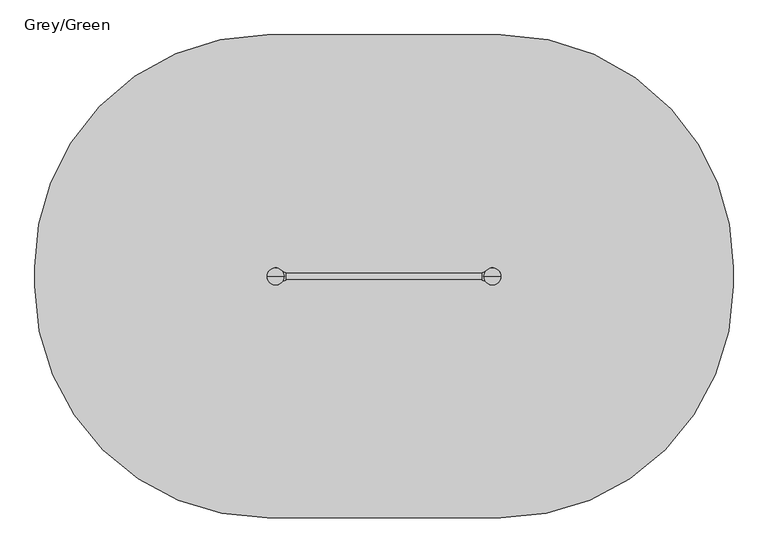
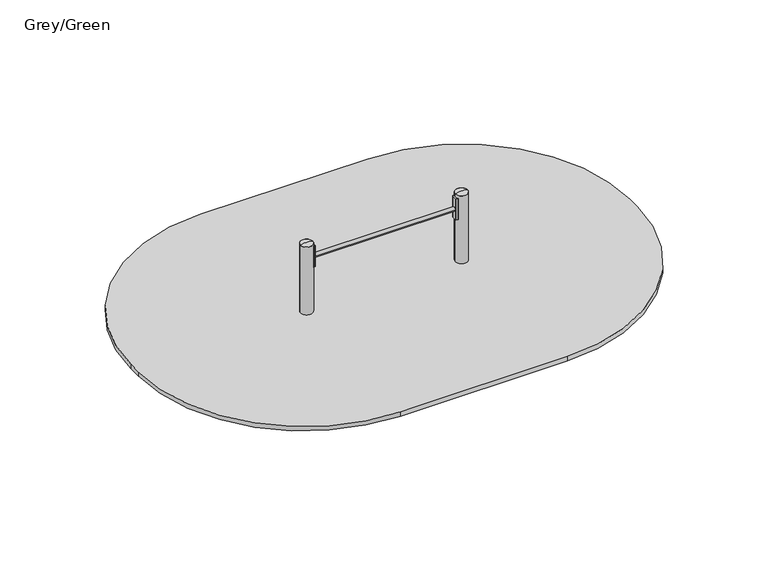
"""IFC4 building model written with IfcOpenShell, lengths in millimetres: furniture geometry, Grey/Green."""

from ifc_helpers import new_model, si_unit, point, frame, frame_2d, origin, place, context, project, spatial, polyline, circle_curve, ellipse_curve, trimmed, segment, composite_curve, outline, extrude, source, transform, mapped, element, save
from ifc_brep_helpers import plane_surface, cylinder_surface, revolved_surface, extruded_surface, advanced_brep


def grey_green_2db80a36(model_context):
    return source(origin(), model_context, "Body", "SolidModel", [
        extrude(outline(composite_curve([segment(trimmed(circle_curve(frame_2d((912.9777489, -30.3699948)), 1.0), [point((913.81792, -29.8276734))], [point((912.6357288, -31.3096874))], False, "CARTESIAN"), True, "CONTINUOUS"), segment(polyline([(912.6357288, -31.3096874), (895.9579799, -25.2394832)]), True, "CONTINUOUS"), segment(trimmed(circle_curve(frame_2d((896.3, -24.2997906)), 1.0), [point((895.9579799, -25.2394832))], [point((895.3, -24.2997906))], False, "CARTESIAN"), True, "CONTINUOUS"), segment(polyline([(895.3, -24.2997906), (895.3, 24.2997943)]), True, "CONTINUOUS"), segment(trimmed(circle_curve(frame_2d((896.3, 24.2997943)), 1.0), [point((895.3, 24.2997943))], [point((895.9579799, 25.2394869))], False, "CARTESIAN"), True, "CONTINUOUS"), segment(polyline([(895.9579799, 25.2394869), (912.6357288, 31.3096911)]), True, "CONTINUOUS"), segment(trimmed(circle_curve(frame_2d((912.9777489, 30.3699985)), 1.0), [point((912.6357288, 31.3096911))], [point((913.81792, 29.8276771))], False, "CARTESIAN"), True, "CONTINUOUS"), segment(trimmed(circle_curve(frame_2d((960.0273324, 1.9e-06)), 55.0), [point((913.81792, 29.8276771))], [point((913.81792, -29.8276734))], True, "CARTESIAN"), True, "CONTINUOUS")], self_intersect=False)), frame((0.0, 0.0, 420.0), z_axis=(0.0, 0.0, 1.0), x_axis=(1.0, 0.0, 0.0)), (0.0, 0.0, 1.0), 200.0),
        extrude(outline(composite_curve([segment(trimmed(circle_curve(frame_2d((-392.9777489, 30.3699948)), 1.0), [point((-393.81792, 29.8276734))], [point((-392.6357288, 31.3096874))], False, "CARTESIAN"), True, "CONTINUOUS"), segment(polyline([(-392.6357288, 31.3096874), (-375.9579799, 25.2394832)]), True, "CONTINUOUS"), segment(trimmed(circle_curve(frame_2d((-376.3, 24.2997906)), 1.0), [point((-375.9579799, 25.2394832))], [point((-375.3, 24.2997906))], False, "CARTESIAN"), True, "CONTINUOUS"), segment(polyline([(-375.3, 24.2997906), (-375.3, -24.2997943)]), True, "CONTINUOUS"), segment(trimmed(circle_curve(frame_2d((-376.3, -24.2997943)), 1.0), [point((-375.3, -24.2997943))], [point((-375.9579799, -25.2394869))], False, "CARTESIAN"), True, "CONTINUOUS"), segment(polyline([(-375.9579799, -25.2394869), (-392.6357288, -31.3096911)]), True, "CONTINUOUS"), segment(trimmed(circle_curve(frame_2d((-392.9777489, -30.3699985)), 1.0), [point((-392.6357288, -31.3096911))], [point((-393.81792, -29.8276771))], False, "CARTESIAN"), True, "CONTINUOUS"), segment(trimmed(circle_curve(frame_2d((-440.0273324, -1.9e-06)), 55.0), [point((-393.81792, -29.8276771))], [point((-393.81792, 29.8276734))], True, "CARTESIAN"), True, "CONTINUOUS")], self_intersect=False)), frame((0.0, 0.0, 420.0), z_axis=(0.0, 0.0, 1.0), x_axis=(1.0, 0.0, 0.0)), (0.0, 0.0, 1.0), 200.0),
        advanced_brep(
        [(-427.5, 72.4599432, -225.0), (-440.0, 72.4599432, -225.0), (-452.5, 72.4599432, -225.0), (-512.5, 12.4599432, -225.0), (-512.5, -12.5400568, -225.0), (-452.5, -72.5400568, -225.0), (-427.5, -72.5400568, -225.0), (-367.5, -12.5400568, -225.0), (-367.5, 12.4599432, -225.0), (-350.0, 150.0, -460.0), (-440.0, 150.0, -460.0), (-530.0, 150.0, -460.0), (-590.0, 90.0, -460.0), (-590.0, -90.0, -460.0), (-530.0, -150.0, -460.0), (-350.0, -150.0, -460.0), (-290.0, -90.0, -460.0), (-290.0, 90.0, -460.0), (-350.0, 150.0, -600.0), (-290.0, 90.0, -600.0), (-290.0, -90.0, -600.0), (-350.0, -150.0, -600.0), (-530.0, -150.0, -600.0), (-590.0, -90.0, -600.0), (-590.0, 90.0, -600.0), (-530.0, 150.0, -600.0), (-440.0, 150.0, -600.0)],
        [
            (0, 1),
            (1, 2),
            (2, 3, circle_curve(frame((-452.5, 12.4599432, -225.0), z_axis=(0.0, 0.0, 1.0), x_axis=(1.0, 0.0, 0.0)), 60.0)),
            (3, 4),
            (4, 5, circle_curve(frame((-452.5, -12.5400568, -225.0), z_axis=(0.0, 0.0, 1.0), x_axis=(1.0, 0.0, 0.0)), 60.0)),
            (5, 6),
            (6, 7, circle_curve(frame((-427.5, -12.5400568, -225.0), z_axis=(0.0, 0.0, 1.0), x_axis=(1.0, 0.0, 0.0)), 60.0)),
            (7, 8),
            (8, 0, circle_curve(frame((-427.5, 12.4599432, -225.0), z_axis=(0.0, 0.0, 1.0), x_axis=(1.0, 0.0, 0.0)), 60.0)),
            (0, 9),
            (9, 10),
            (10, 1),
            (10, 11),
            (11, 2),
            (11, 12, circle_curve(frame((-530.0, 90.0, -460.0), z_axis=(0.0, 0.0, 1.0), x_axis=(1.0, 0.0, 0.0)), 60.0)),
            (12, 3),
            (12, 13),
            (13, 4),
            (13, 14, circle_curve(frame((-530.0, -90.0, -460.0), z_axis=(0.0, 0.0, 1.0), x_axis=(1.0, 0.0, 0.0)), 60.0)),
            (14, 5),
            (14, 15),
            (15, 6),
            (15, 16, circle_curve(frame((-350.0, -90.0, -460.0), z_axis=(0.0, 0.0, 1.0), x_axis=(1.0, 0.0, 0.0)), 60.0)),
            (16, 7),
            (16, 17),
            (17, 8),
            (17, 9, circle_curve(frame((-350.0, 90.0, -460.0), z_axis=(0.0, 0.0, 1.0), x_axis=(1.0, 0.0, 0.0)), 60.0)),
            (18, 19, circle_curve(frame((-350.0, 90.0, -600.0), z_axis=(0.0, 0.0, -1.0), x_axis=(1.0, 0.0, 0.0)), 60.0)),
            (19, 20),
            (20, 21, circle_curve(frame((-350.0, -90.0, -600.0), z_axis=(0.0, 0.0, -1.0), x_axis=(1.0, 0.0, 0.0)), 60.0)),
            (21, 22),
            (22, 23, circle_curve(frame((-530.0, -90.0, -600.0), z_axis=(0.0, 0.0, -1.0), x_axis=(1.0, 0.0, 0.0)), 60.0)),
            (23, 24),
            (24, 25, circle_curve(frame((-530.0, 90.0, -600.0), z_axis=(0.0, 0.0, -1.0), x_axis=(1.0, 0.0, 0.0)), 60.0)),
            (25, 26),
            (26, 18),
            (26, 10),
            (9, 18),
            (25, 11),
            (23, 13),
            (12, 24),
            (21, 15),
            (14, 22),
            (19, 17),
            (16, 20),
        ],
        [
            plane_surface(frame((-440.0, 8.0154988, -225.0), z_axis=(0.0, 0.0, 1.0), x_axis=(-1.0, 0.0, 0.0))),
            plane_surface(frame((-433.75, 72.4599432, -225.0), z_axis=(0.0, 0.9496406059136844, 0.3133412191204512), x_axis=(1.0, 0.0, 0.0))),
            plane_surface(frame((-446.25, 72.4599432, -225.0), z_axis=(0.0, 0.9496406059136843, 0.3133412191204512), x_axis=(1.0, 0.0, 0.0))),
            extruded_surface(trimmed(circle_curve(frame((-452.5, 12.4599432, -225.0), z_axis=(0.0, 0.0, -1.0), x_axis=(1.0, 0.0, 0.0)), 60.0), [point((-512.5, 12.4599432, -225.0))], [point((-452.5, 72.4599432, -225.0))], True, "CARTESIAN"), (-77.5, 77.5400568, -235.0), 259.3139225119763),
            plane_surface(frame((-512.5, -0.0400568, -225.0), z_axis=(-0.9496887635303409, 0.0, 0.31319523052596476), x_axis=(0.0, 1.0, 0.0))),
            extruded_surface(trimmed(circle_curve(frame((-452.5, -12.5400568, -225.0), z_axis=(0.0, 0.0, -1.0), x_axis=(1.0, 0.0, 0.0)), 60.0), [point((-452.5, -72.5400568, -225.0))], [point((-512.5, -12.5400568, -225.0))], True, "CARTESIAN"), (-77.5, -77.4599432, -235.0), 259.2899782107809),
            plane_surface(frame((-440.0, -72.5400568, -225.0), z_axis=(0.0, -0.9497369035840961, 0.3130492197250991), x_axis=(-1.0, 0.0, 0.0))),
            extruded_surface(trimmed(circle_curve(frame((-427.5, -12.5400568, -225.0), z_axis=(0.0, 0.0, -1.0), x_axis=(1.0, 0.0, 0.0)), 60.0), [point((-367.5, -12.5400568, -225.0))], [point((-427.5, -72.5400568, -225.0))], True, "CARTESIAN"), (77.5, -77.4599432, -235.0), 259.2899782107809),
            plane_surface(frame((-367.5, -0.0400568, -225.0), z_axis=(0.9496887635303416, 0.0, 0.3131952305259627), x_axis=(0.0, -1.0, 0.0))),
            extruded_surface(trimmed(circle_curve(frame((-427.5, 12.4599432, -225.0), z_axis=(0.0, 0.0, -1.0), x_axis=(1.0, 0.0, 0.0)), 60.0), [point((-427.5, 72.4599432, -225.0))], [point((-367.5, 12.4599432, -225.0))], True, "CARTESIAN"), (77.5, 77.5400568, -235.0), 259.3139225119763),
            plane_surface(frame((-440.0, 150.0, -600.0), z_axis=(0.0, 0.0, -1.0), x_axis=(1.0, 0.0, 0.0))),
            plane_surface(frame((-350.0, 150.0, -460.0), z_axis=(0.0, 1.0, 0.0), x_axis=(0.0, 0.0, -1.0))),
            plane_surface(frame((-440.0, 150.0, -460.0), z_axis=(0.0, 1.0, 0.0), x_axis=(0.0, 0.0, -1.0))),
            plane_surface(frame((-590.0, 90.0, -460.0), z_axis=(-1.0, 0.0, 0.0), x_axis=(0.0, 0.0, -1.0))),
            plane_surface(frame((-530.0, -150.0, -460.0), z_axis=(0.0, -1.0, 0.0), x_axis=(0.0, 0.0, -1.0))),
            plane_surface(frame((-290.0, -90.0, -460.0), z_axis=(1.0, 0.0, 0.0), x_axis=(0.0, 0.0, -1.0))),
            cylinder_surface(frame((-530.0, 90.0, -600.0), z_axis=(0.0, 0.0, 1.0), x_axis=(1.0, 0.0, 0.0)), 60.0),
            cylinder_surface(frame((-530.0, -90.0, -600.0), z_axis=(0.0, 0.0, 1.0), x_axis=(1.0, 0.0, 0.0)), 60.0),
            cylinder_surface(frame((-350.0, -90.0, -600.0), z_axis=(0.0, 0.0, 1.0), x_axis=(1.0, 0.0, 0.0)), 60.0),
            cylinder_surface(frame((-350.0, 90.0, -600.0), z_axis=(0.0, 0.0, 1.0), x_axis=(1.0, 0.0, 0.0)), 60.0),
        ],
        [
            (0, [[1, 2, 3, 4, 5, 6, 7, 8, 9]]),
            (1, [[-1, 10, 11, 12]]),
            (2, [[-2, -12, 13, 14]]),
            (3, [[-3, -14, 15, 16]]),
            (4, [[-4, -16, 17, 18]]),
            (5, [[-5, -18, 19, 20]]),
            (6, [[-6, -20, 21, 22]]),
            (7, [[-7, -22, 23, 24]]),
            (8, [[-8, -24, 25, 26]]),
            (9, [[-9, -26, 27, -10]]),
            (10, [[28, 29, 30, 31, 32, 33, 34, 35, 36]]),
            (11, [[-36, 37, -11, 38]]),
            (12, [[-35, 39, -13, -37]]),
            (13, [[-33, 40, -17, 41]]),
            (14, [[-31, 42, -21, 43]]),
            (15, [[-29, 44, -25, 45]]),
            (16, [[-34, -41, -15, -39]]),
            (17, [[-32, -43, -19, -40]]),
            (18, [[-30, -45, -23, -42]]),
            (19, [[-28, -38, -27, -44]]),
        ],
    ),
        extrude(outline(composite_curve([segment(trimmed(circle_curve(frame_2d((-440.0, 0.0)), 55.0), [point((-495.0, 0.0))], [point((-385.0, 0.0))], False, "CARTESIAN"), True, "CONTINUOUS"), segment(trimmed(circle_curve(frame_2d((-440.0, 0.0)), 55.0), [point((-385.0, 0.0))], [point((-495.0, 0.0))], False, "CARTESIAN"), True, "CONTINUOUS")], self_intersect=False)), frame((0.0, 0.0, -600.0), z_axis=(0.0, 0.0, 1.0), x_axis=(1.0, 0.0, 0.0)), (0.0, 0.0, 1.0), 500.0),
        advanced_brep(
        [(972.5, 72.4599432, -225.0), (960.0, 72.4599432, -225.0), (947.5, 72.4599432, -225.0), (887.5, 12.4599432, -225.0), (887.5, -12.5400568, -225.0), (947.5, -72.5400568, -225.0), (972.5, -72.5400568, -225.0), (1032.5, -12.5400568, -225.0), (1032.5, 12.4599432, -225.0), (1050.0, 150.0, -460.0), (960.0, 150.0, -460.0), (870.0, 150.0, -460.0), (810.0, 90.0, -460.0), (810.0, -90.0, -460.0), (870.0, -150.0, -460.0), (1050.0, -150.0, -460.0), (1110.0, -90.0, -460.0), (1110.0, 90.0, -460.0), (1050.0, 150.0, -600.0), (1110.0, 90.0, -600.0), (1110.0, -90.0, -600.0), (1050.0, -150.0, -600.0), (870.0, -150.0, -600.0), (810.0, -90.0, -600.0), (810.0, 90.0, -600.0), (870.0, 150.0, -600.0), (960.0, 150.0, -600.0)],
        [
            (0, 1),
            (1, 2),
            (2, 3, circle_curve(frame((947.5, 12.4599432, -225.0), z_axis=(0.0, 0.0, 1.0), x_axis=(1.0, 0.0, 0.0)), 60.0)),
            (3, 4),
            (4, 5, circle_curve(frame((947.5, -12.5400568, -225.0), z_axis=(0.0, 0.0, 1.0), x_axis=(1.0, 0.0, 0.0)), 60.0)),
            (5, 6),
            (6, 7, circle_curve(frame((972.5, -12.5400568, -225.0), z_axis=(0.0, 0.0, 1.0), x_axis=(1.0, 0.0, 0.0)), 60.0)),
            (7, 8),
            (8, 0, circle_curve(frame((972.5, 12.4599432, -225.0), z_axis=(0.0, 0.0, 1.0), x_axis=(1.0, 0.0, 0.0)), 60.0)),
            (0, 9),
            (9, 10),
            (10, 1),
            (10, 11),
            (11, 2),
            (11, 12, circle_curve(frame((870.0, 90.0, -460.0), z_axis=(0.0, 0.0, 1.0), x_axis=(1.0, 0.0, 0.0)), 60.0)),
            (12, 3),
            (12, 13),
            (13, 4),
            (13, 14, circle_curve(frame((870.0, -90.0, -460.0), z_axis=(0.0, 0.0, 1.0), x_axis=(1.0, 0.0, 0.0)), 60.0)),
            (14, 5),
            (14, 15),
            (15, 6),
            (15, 16, circle_curve(frame((1050.0, -90.0, -460.0), z_axis=(0.0, 0.0, 1.0), x_axis=(1.0, 0.0, 0.0)), 60.0)),
            (16, 7),
            (16, 17),
            (17, 8),
            (17, 9, circle_curve(frame((1050.0, 90.0, -460.0), z_axis=(0.0, 0.0, 1.0), x_axis=(1.0, 0.0, 0.0)), 60.0)),
            (18, 19, circle_curve(frame((1050.0, 90.0, -600.0), z_axis=(0.0, 0.0, -1.0), x_axis=(1.0, 0.0, 0.0)), 60.0)),
            (19, 20),
            (20, 21, circle_curve(frame((1050.0, -90.0, -600.0), z_axis=(0.0, 0.0, -1.0), x_axis=(1.0, 0.0, 0.0)), 60.0)),
            (21, 22),
            (22, 23, circle_curve(frame((870.0, -90.0, -600.0), z_axis=(0.0, 0.0, -1.0), x_axis=(1.0, 0.0, 0.0)), 60.0)),
            (23, 24),
            (24, 25, circle_curve(frame((870.0, 90.0, -600.0), z_axis=(0.0, 0.0, -1.0), x_axis=(1.0, 0.0, 0.0)), 60.0)),
            (25, 26),
            (26, 18),
            (26, 10),
            (9, 18),
            (25, 11),
            (23, 13),
            (12, 24),
            (21, 15),
            (14, 22),
            (19, 17),
            (16, 20),
        ],
        [
            plane_surface(frame((960.0, 8.0154988, -225.0), z_axis=(0.0, 0.0, 1.0), x_axis=(-1.0, 0.0, 0.0))),
            plane_surface(frame((966.25, 72.4599432, -225.0), z_axis=(0.0, 0.9496406059136844, 0.3133412191204512), x_axis=(1.0, 0.0, 0.0))),
            plane_surface(frame((953.75, 72.4599432, -225.0), z_axis=(0.0, 0.9496406059136843, 0.3133412191204512), x_axis=(1.0, 0.0, 0.0))),
            extruded_surface(trimmed(circle_curve(frame((947.5, 12.4599432, -225.0), z_axis=(0.0, 0.0, -1.0), x_axis=(1.0, 0.0, 0.0)), 60.0), [point((887.5, 12.4599432, -225.0))], [point((947.5, 72.4599432, -225.0))], True, "CARTESIAN"), (-77.5, 77.5400568, -235.0), 259.3139225119763),
            plane_surface(frame((887.5, -0.0400568, -225.0), z_axis=(-0.9496887635303409, 0.0, 0.31319523052596476), x_axis=(0.0, 1.0, 0.0))),
            extruded_surface(trimmed(circle_curve(frame((947.5, -12.5400568, -225.0), z_axis=(0.0, 0.0, -1.0), x_axis=(1.0, 0.0, 0.0)), 60.0), [point((947.5, -72.5400568, -225.0))], [point((887.5, -12.5400568, -225.0))], True, "CARTESIAN"), (-77.5, -77.4599432, -235.0), 259.2899782107809),
            plane_surface(frame((960.0, -72.5400568, -225.0), z_axis=(0.0, -0.9497369035840961, 0.3130492197250991), x_axis=(-1.0, 0.0, 0.0))),
            extruded_surface(trimmed(circle_curve(frame((972.5, -12.5400568, -225.0), z_axis=(0.0, 0.0, -1.0), x_axis=(1.0, 0.0, 0.0)), 60.0), [point((1032.5, -12.5400568, -225.0))], [point((972.5, -72.5400568, -225.0))], True, "CARTESIAN"), (77.5, -77.4599432, -235.0), 259.2899782107809),
            plane_surface(frame((1032.5, -0.0400568, -225.0), z_axis=(0.9496887635303416, 0.0, 0.3131952305259627), x_axis=(0.0, -1.0, 0.0))),
            extruded_surface(trimmed(circle_curve(frame((972.5, 12.4599432, -225.0), z_axis=(0.0, 0.0, -1.0), x_axis=(1.0, 0.0, 0.0)), 60.0), [point((972.5, 72.4599432, -225.0))], [point((1032.5, 12.4599432, -225.0))], True, "CARTESIAN"), (77.5, 77.5400568, -235.0), 259.3139225119763),
            plane_surface(frame((960.0, 150.0, -600.0), z_axis=(0.0, 0.0, -1.0), x_axis=(1.0, 0.0, 0.0))),
            plane_surface(frame((1050.0, 150.0, -460.0), z_axis=(0.0, 1.0, 0.0), x_axis=(0.0, 0.0, -1.0))),
            plane_surface(frame((960.0, 150.0, -460.0), z_axis=(0.0, 1.0, 0.0), x_axis=(0.0, 0.0, -1.0))),
            plane_surface(frame((810.0, 90.0, -460.0), z_axis=(-1.0, 0.0, 0.0), x_axis=(0.0, 0.0, -1.0))),
            plane_surface(frame((870.0, -150.0, -460.0), z_axis=(0.0, -1.0, 0.0), x_axis=(0.0, 0.0, -1.0))),
            plane_surface(frame((1110.0, -90.0, -460.0), z_axis=(1.0, 0.0, 0.0), x_axis=(0.0, 0.0, -1.0))),
            cylinder_surface(frame((870.0, 90.0, -600.0), z_axis=(0.0, 0.0, 1.0), x_axis=(1.0, 0.0, 0.0)), 60.0),
            cylinder_surface(frame((870.0, -90.0, -600.0), z_axis=(0.0, 0.0, 1.0), x_axis=(1.0, 0.0, 0.0)), 60.0),
            cylinder_surface(frame((1050.0, -90.0, -600.0), z_axis=(0.0, 0.0, 1.0), x_axis=(1.0, 0.0, 0.0)), 60.0),
            cylinder_surface(frame((1050.0, 90.0, -600.0), z_axis=(0.0, 0.0, 1.0), x_axis=(1.0, 0.0, 0.0)), 60.0),
        ],
        [
            (0, [[1, 2, 3, 4, 5, 6, 7, 8, 9]]),
            (1, [[-1, 10, 11, 12]]),
            (2, [[-2, -12, 13, 14]]),
            (3, [[-3, -14, 15, 16]]),
            (4, [[-4, -16, 17, 18]]),
            (5, [[-5, -18, 19, 20]]),
            (6, [[-6, -20, 21, 22]]),
            (7, [[-7, -22, 23, 24]]),
            (8, [[-8, -24, 25, 26]]),
            (9, [[-9, -26, 27, -10]]),
            (10, [[28, 29, 30, 31, 32, 33, 34, 35, 36]]),
            (11, [[-36, 37, -11, 38]]),
            (12, [[-35, 39, -13, -37]]),
            (13, [[-33, 40, -17, 41]]),
            (14, [[-31, 42, -21, 43]]),
            (15, [[-29, 44, -25, 45]]),
            (16, [[-34, -41, -15, -39]]),
            (17, [[-32, -43, -19, -40]]),
            (18, [[-30, -45, -23, -42]]),
            (19, [[-28, -38, -27, -44]]),
        ],
    ),
        extrude(outline(composite_curve([segment(trimmed(circle_curve(frame_2d((960.0, 0.0)), 55.0), [point((905.0, 0.0))], [point((1015.0, 0.0))], False, "CARTESIAN"), True, "CONTINUOUS"), segment(trimmed(circle_curve(frame_2d((960.0, 0.0)), 55.0), [point((1015.0, 0.0))], [point((905.0, 0.0))], False, "CARTESIAN"), True, "CONTINUOUS")], self_intersect=False)), frame((0.0, 0.0, -600.0), z_axis=(0.0, 0.0, 1.0), x_axis=(1.0, 0.0, 0.0)), (0.0, 0.0, 1.0), 500.0),
        advanced_brep(
        [(-385.0, 0.0, 650.0), (-495.0, 0.0, 650.0), (-440.0, 0.0, 662.0246565), (-440.0, 0.0, 650.0)],
        [
            (0, 1, circle_curve(frame((-440.0, 0.0, 650.0), z_axis=(0.0, 0.0, 1.0), x_axis=(-1.0, 0.0, 0.0)), 55.0)),
            (1, 2, circle_curve(frame((-444.5450144, 0.0, 551.0177111), z_axis=(0.0, 1.0, 0.0), x_axis=(-1.0, 0.0, 0.0)), 111.0999509)),
            (2, 0, circle_curve(frame((-435.4549856, 0.0, 551.0177111), z_axis=(0.0, 1.0, 0.0), x_axis=(1.0, 0.0, 0.0)), 111.0999509)),
            (1, 0, circle_curve(frame((-440.0, 0.0, 650.0), z_axis=(0.0, 0.0, 1.0), x_axis=(-1.0, 0.0, 0.0)), 55.0)),
            (3, 1),
            (0, 3),
        ],
        [
            revolved_surface(trimmed(ellipse_curve(frame((-444.5450144, 0.0, 551.0177111), z_axis=(0.0, -1.0, 0.0), x_axis=(-1.0, 0.0, 0.0)), 111.0999509, 111.0999509), [point((-440.0, 0.0, 662.0246565))], [point((-495.0, 0.0, 650.0))], True, "CARTESIAN"), (-440.0, 0.0, 269.0), (0.0, 0.0, -1.0)),
            plane_surface(frame((-440.0, 0.0, 650.0), z_axis=(0.0, 0.0, -1.0), x_axis=(-1.0, 0.0, 0.0))),
        ],
        [
            (0, [[1, 2, 3]]),
            (0, [[4, -3, -2]]),
            (1, [[5, -1, 6]]),
            (1, [[-6, -4, -5]]),
        ],
    ),
        advanced_brep(
        [(1015.0, 0.0, 650.0), (905.0, 0.0, 650.0), (960.0, 0.0, 662.0246565), (960.0, 0.0, 650.0)],
        [
            (0, 1, circle_curve(frame((960.0, 0.0, 650.0), z_axis=(0.0, 0.0, 1.0), x_axis=(-1.0, 0.0, 0.0)), 55.0)),
            (1, 2, circle_curve(frame((955.4549856, 0.0, 551.0177111), z_axis=(0.0, 1.0, 0.0), x_axis=(-1.0, 0.0, 0.0)), 111.0999509)),
            (2, 0, circle_curve(frame((964.5450144, 0.0, 551.0177111), z_axis=(0.0, 1.0, 0.0), x_axis=(1.0, 0.0, 0.0)), 111.0999509)),
            (1, 0, circle_curve(frame((960.0, 0.0, 650.0), z_axis=(0.0, 0.0, 1.0), x_axis=(-1.0, 0.0, 0.0)), 55.0)),
            (3, 1),
            (0, 3),
        ],
        [
            revolved_surface(trimmed(ellipse_curve(frame((955.4549856, 0.0, 551.0177111), z_axis=(0.0, -1.0, 0.0), x_axis=(-1.0, 0.0, 0.0)), 111.0999509, 111.0999509), [point((960.0, 0.0, 662.0246565))], [point((905.0, 0.0, 650.0))], True, "CARTESIAN"), (960.0, 0.0, 269.0), (0.0, 0.0, -1.0)),
            plane_surface(frame((960.0, 0.0, 650.0), z_axis=(0.0, 0.0, -1.0), x_axis=(-1.0, 0.0, 0.0))),
        ],
        [
            (0, [[1, 2, 3]]),
            (0, [[4, -3, -2]]),
            (1, [[5, -1, 6]]),
            (1, [[-6, -4, -5]]),
        ],
    ),
        extrude(outline(composite_curve([segment(trimmed(circle_curve(frame_2d((0.0, 510.0)), 19.0), [point((-19.0, 510.0))], [point((19.0, 510.0))], False, "CARTESIAN"), True, "CONTINUOUS"), segment(trimmed(circle_curve(frame_2d((0.0, 510.0)), 19.0), [point((19.0, 510.0))], [point((-19.0, 510.0))], False, "CARTESIAN"), True, "CONTINUOUS")], self_intersect=False)), frame((-375.3125, 0.0, 0.0), z_axis=(1.0, 0.0, 0.0), x_axis=(0.0, 1.0, 0.0)), (0.0, 0.0, 1.0), 1270.6125),
        extrude(outline(composite_curve([segment(trimmed(circle_curve(frame_2d((1015.0, 60.0)), 1500.0), [point((1015.0, 1560.0))], [point((2115.2325264, 1079.5530333))], False, "CARTESIAN"), True, "CONTINUOUS"), segment(trimmed(circle_curve(frame_2d((1015.0, 60.0)), 1500.0), [point((2115.2325264, 1079.5530333))], [point((2515.0, 60.0))], False, "CARTESIAN"), True, "CONTINUOUS"), segment(polyline([(2515.0, 60.0), (2515.0, -60.0)]), True, "CONTINUOUS"), segment(trimmed(circle_curve(frame_2d((1015.0, -60.0)), 1500.0), [point((2515.0, -60.0))], [point((1015.0, -1560.0))], False, "CARTESIAN"), True, "CONTINUOUS"), segment(polyline([(1015.0, -1560.0), (-495.0, -1560.0)]), True, "CONTINUOUS"), segment(trimmed(circle_curve(frame_2d((-495.0, -60.0)), 1500.0), [point((-495.0, -1560.0))], [point((-1995.0, -60.0))], False, "CARTESIAN"), True, "CONTINUOUS"), segment(polyline([(-1995.0, -60.0), (-1995.0, 60.0)]), True, "CONTINUOUS"), segment(trimmed(circle_curve(frame_2d((-495.0, 60.0)), 1500.0), [point((-1995.0, 60.0))], [point((-1766.397934, 855.9568415))], False, "CARTESIAN"), True, "CONTINUOUS"), segment(trimmed(circle_curve(frame_2d((-495.0, 60.0)), 1500.0), [point((-1766.397934, 855.9568415))], [point((-495.0, 1560.0))], False, "CARTESIAN"), True, "CONTINUOUS"), segment(polyline([(-495.0, 1560.0), (1015.0, 1560.0)]), True, "CONTINUOUS")], self_intersect=False)), frame((0.0, 0.0, -40.0), z_axis=(0.0, 0.0, 1.0), x_axis=(1.0, 0.0, 0.0)), (0.0, 0.0, 1.0), 41.0),
        extrude(outline(composite_curve([segment(trimmed(circle_curve(frame_2d((-440.0, 0.0)), 55.0), [point((-495.0, 0.0))], [point((-385.0, 0.0))], False, "CARTESIAN"), True, "CONTINUOUS"), segment(trimmed(circle_curve(frame_2d((-440.0, 0.0)), 55.0), [point((-385.0, 0.0))], [point((-495.0, 0.0))], False, "CARTESIAN"), True, "CONTINUOUS")], self_intersect=False)), frame((0.0, 0.0, -100.0), z_axis=(0.0, 0.0, 1.0), x_axis=(1.0, 0.0, 0.0)), (0.0, 0.0, 1.0), 750.0),
        extrude(outline(composite_curve([segment(trimmed(circle_curve(frame_2d((960.0, 0.0)), 55.0), [point((905.0, 0.0))], [point((1015.0, 0.0))], False, "CARTESIAN"), True, "CONTINUOUS"), segment(trimmed(circle_curve(frame_2d((960.0, 0.0)), 55.0), [point((1015.0, 0.0))], [point((905.0, 0.0))], False, "CARTESIAN"), True, "CONTINUOUS")], self_intersect=False)), frame((0.0, 0.0, -100.0), z_axis=(0.0, 0.0, 1.0), x_axis=(1.0, 0.0, 0.0)), (0.0, 0.0, 1.0), 750.0),
    ])


if __name__ == "__main__":
    model = new_model("IFC4")
    model_context = context("Model", 3, world=origin())
    ifc_project = project(units=[si_unit("LENGTHUNIT", "METRE", prefix="MILLI")], contexts=[model_context])
    site = spatial("IfcSite", under=ifc_project)
    building = spatial("IfcBuilding", under=site)
    placement = place(None, origin())
    grey_green_shape = grey_green_2db80a36(model_context)
    element("IfcFurniture", 1, ObjectType="Grey/Green", at=placement, inside=building, context=model_context, shape_type="MappedRepresentation", body=[
        mapped(grey_green_shape, transform((0.0, 0.0, 0.0), x_axis=(1.0, 0.0, 0.0), y_axis=(0.0, 1.0, 0.0), z_axis=(0.0, 0.0, 1.0))),
    ])
    save(model, "model.ifc")
